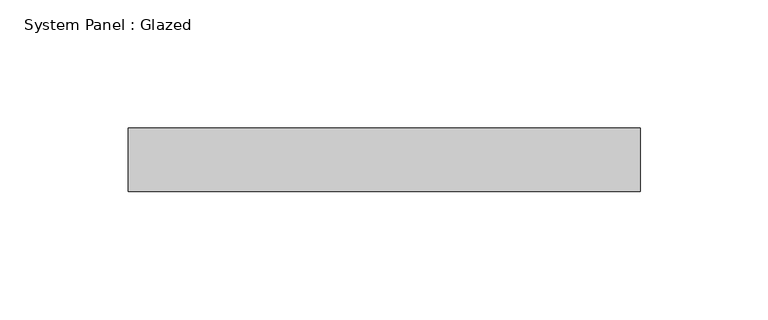
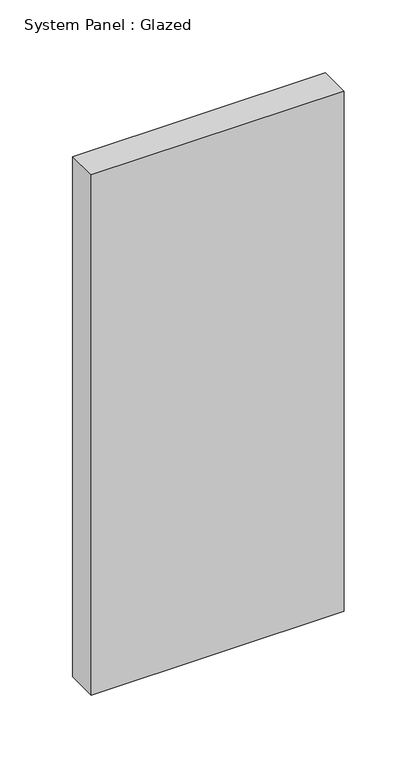
"""IFC4 building model written with IfcOpenShell, lengths in millimetres: plate geometry, System Panel : Glazed."""

import ifcopenshell
import ifcopenshell.guid

model = None  # the IFC model being written
_history = None  # IfcOwnerHistory: only IFC2X3 demands one
_inside = {}  # id of a spatial element -> (the spatial element, [elements in it])
_under = {}  # id of a project, library or spatial element -> (it, [spatial elements below it])
_declared = {}  # id of a project -> (the project, [libraries it declares])
_typed = {}  # id of a type object -> (the type object, [elements of that type])
_made_of = {}  # id of a material, layer set ... -> (it, [elements and type objects made of it])


def new_model(schema):
    """Start an empty IFC model of exactly this schema.

    Asked for "IFC4X3", IfcOpenShell would pick the latest addendum, in which some entities
    have other attributes; the version numbers below select the first issue.
    IFC2X3 requires an IfcOwnerHistory on every rooted entity: one is made here for all.
    """
    global model, _history
    if schema == "IFC4X3":
        model = ifcopenshell.file(schema_version=(4, 3, 0, 0))
    else:
        model = ifcopenshell.file(schema=schema)
    _inside.clear()
    _under.clear()
    _declared.clear()
    _typed.clear()
    _made_of.clear()
    _history = None
    if model.schema == "IFC2X3":
        org = make("IfcOrganization", Name="unknown")
        user = make(
            "IfcPersonAndOrganization",
            ThePerson=make("IfcPerson", FamilyName="unknown"),
            TheOrganization=org,
        )
        app = make(
            "IfcApplication",
            ApplicationDeveloper=org,
            Version="unknown",
            ApplicationFullName="unknown",
            ApplicationIdentifier="unknown",
        )
        _history = make(
            "IfcOwnerHistory",
            OwningUser=user,
            OwningApplication=app,
            ChangeAction="ADDED",
            CreationDate=0,
        )
    return model


def make(cls, **values):
    """One entity of the class cls with the attributes given. An attribute that is None is left unset."""
    return model.create_entity(
        cls, **{name: value for name, value in values.items() if value is not None}
    )


def rooted(cls, **values):
    """An entity with a GlobalId (a new one), such as an element, a storey or a relation."""
    return make(cls, GlobalId=ifcopenshell.guid.new(), OwnerHistory=_history, **values)


def si_unit(unit_type, name, prefix=None):
    """IfcSIUnit, for example si_unit("LENGTHUNIT", "METRE", prefix="MILLI")."""
    return make("IfcSIUnit", UnitType=unit_type, Prefix=prefix, Name=name)


def assignment(units):
    """IfcUnitAssignment: the units of a project."""
    return None if units is None else make("IfcUnitAssignment", Units=units)


def point(xyz):
    """IfcCartesianPoint."""
    return None if xyz is None else make("IfcCartesianPoint", Coordinates=xyz)


def direction(xyz):
    """IfcDirection."""
    return None if xyz is None else make("IfcDirection", DirectionRatios=xyz)


def frame(location, z_axis=None, x_axis=None):
    """IfcAxis2Placement3D, a coordinate frame: its origin and axes. An axis left out is left unset."""
    return make(
        "IfcAxis2Placement3D",
        Location=point(location),
        Axis=direction(z_axis),
        RefDirection=direction(x_axis),
    )


def origin():
    """The frame at (0, 0, 0) with its axes left unset."""
    return frame((0.0, 0.0, 0.0))


def origin_with_axes():
    """The frame at (0, 0, 0) with the z axis (0, 0, 1) and the x axis (1, 0, 0) written out."""
    return frame((0.0, 0.0, 0.0), z_axis=(0.0, 0.0, 1.0), x_axis=(1.0, 0.0, 0.0))


def place(relative_to, where):
    """IfcLocalPlacement: puts the frame where relative to a parent placement (None: the world)."""
    return make(
        "IfcLocalPlacement", PlacementRelTo=relative_to, RelativePlacement=where
    )


def context(
    kind, dimensions, precision=None, world=None, true_north=None, identifier=None
):
    """IfcGeometricRepresentationContext, for example the 3D "Model" context."""
    return make(
        "IfcGeometricRepresentationContext",
        ContextIdentifier=identifier,
        ContextType=kind,
        CoordinateSpaceDimension=dimensions,
        Precision=precision,
        WorldCoordinateSystem=world,
        TrueNorth=true_north,
    )


def project(units=None, contexts=None):
    """IfcProject with its units and contexts."""
    return rooted(
        "IfcProject",
        Name="project",
        RepresentationContexts=contexts,
        UnitsInContext=assignment(units),
    )


def spatial(cls, under=None, at=None, **own):
    """A site, building, storey or space (cls), placed at a placement, below another one or the project."""
    s = rooted(cls, ObjectPlacement=at, **own)
    if under is not None:
        _under.setdefault(under.id(), (under, []))[1].append(s)
    return s


def polyline(points):
    """IfcPolyline through the points."""
    return make("IfcPolyline", Points=[point(p) for p in points])


def outline(outer, holes=None, kind="AREA"):
    """IfcArbitraryClosedProfileDef: a profile drawn as a closed curve; with holes, ...WithVoids."""
    if holes is None:
        return make("IfcArbitraryClosedProfileDef", ProfileType=kind, OuterCurve=outer)
    return make(
        "IfcArbitraryProfileDefWithVoids",
        ProfileType=kind,
        OuterCurve=outer,
        InnerCurves=holes,
    )


def extrude(swept, where, along, depth):
    """IfcExtrudedAreaSolid: the profile swept, set in the frame where, extruded along a direction by depth."""
    return make(
        "IfcExtrudedAreaSolid",
        SweptArea=swept,
        Position=where,
        ExtrudedDirection=direction(along),
        Depth=depth,
    )


def shape(context_of_items, identifier, shape_type, items):
    """IfcShapeRepresentation: the items that make up one representation, for example the "Body"."""
    return make(
        "IfcShapeRepresentation",
        ContextOfItems=context_of_items,
        RepresentationIdentifier=identifier,
        RepresentationType=shape_type,
        Items=items,
    )


def source(mapping_origin, context_of_items, identifier, shape_type, items):
    """IfcRepresentationMap: a shape defined once, which mapped items show again and again."""
    return make(
        "IfcRepresentationMap",
        MappingOrigin=mapping_origin,
        MappedRepresentation=shape(context_of_items, identifier, shape_type, items),
    )


def transform(
    local_origin,
    x_axis=None,
    y_axis=None,
    z_axis=None,
    scale=None,
    scale2=None,
    scale3=None,
    uniform=True,
):
    """IfcCartesianTransformationOperator3D, or its non-uniform kind. x_axis, y_axis, z_axis: its Axis1, 2, 3."""
    if uniform:
        return make(
            "IfcCartesianTransformationOperator3D",
            Axis1=direction(x_axis),
            Axis2=direction(y_axis),
            LocalOrigin=point(local_origin),
            Scale=scale,
            Axis3=direction(z_axis),
        )
    return make(
        "IfcCartesianTransformationOperator3DnonUniform",
        Axis1=direction(x_axis),
        Axis2=direction(y_axis),
        LocalOrigin=point(local_origin),
        Scale=scale,
        Axis3=direction(z_axis),
        Scale2=scale2,
        Scale3=scale3,
    )


def mapped(mapping_source, mapping_target):
    """IfcMappedItem: shows the shape of a source again, moved by a transform."""
    return make(
        "IfcMappedItem", MappingSource=mapping_source, MappingTarget=mapping_target
    )


def made_of(thing, what):
    """Note that an element or type object is made of a material, layer set ...; save() writes the relation."""
    if what is not None:
        _made_of.setdefault(what.id(), (what, []))[1].append(thing)
    return thing


def element(
    cls,
    number,
    at=None,
    inside=None,
    cuts=None,
    type_object=None,
    material=None,
    context=None,
    identifier="Body",
    shape_type=None,
    held_by="IfcProductDefinitionShape",
    body=None,
    shapes=None,
    **own,
):
    """One element of the class cls, such as IfcWall. Its Tag is "e" and its number.

    at: its placement. inside: the storey or other place that contains it. cuts: it is an
    opening in that element (IfcRelVoidsElement). A single representation is given by context,
    identifier, shape_type and body (its items); several are given by shapes. held_by: the class
    of the entity that holds the representations. save() writes the other relations.
    """
    e = rooted(cls, Tag="e%d" % number, ObjectPlacement=at, **own)
    if body is not None:
        shapes = [shape(context, identifier, shape_type, body)]
    if shapes is not None:
        e.Representation = make(held_by, Representations=shapes)
    if inside is not None:
        _inside.setdefault(inside.id(), (inside, []))[1].append(e)
    if cuts is not None:
        rooted(
            "IfcRelVoidsElement", RelatingBuildingElement=cuts, RelatedOpeningElement=e
        )
    if type_object is not None:
        _typed.setdefault(type_object.id(), (type_object, []))[1].append(e)
    return made_of(e, material)


def aggregate(whole, parts):
    """IfcRelAggregates: a whole, such as a stair, and the parts it consists of."""
    return rooted("IfcRelAggregates", RelatingObject=whole, RelatedObjects=parts)


def save(model, path):
    """Write the relations noted so far, then the file.

    IfcRelAggregates (storeys below a building ...), IfcRelContainedInSpatialStructure (elements
    in a storey), IfcRelDefinesByType, IfcRelAssociatesMaterial and IfcRelDeclares: one each for
    every whole, place, type object, material and project.
    """
    for whole, parts in _under.values():
        aggregate(whole, parts)
    for where, things in _inside.values():
        rooted(
            "IfcRelContainedInSpatialStructure",
            RelatedElements=things,
            RelatingStructure=where,
        )
    for kind, things in _typed.values():
        rooted("IfcRelDefinesByType", RelatedObjects=things, RelatingType=kind)
    for what, things in _made_of.values():
        rooted("IfcRelAssociatesMaterial", RelatedObjects=things, RelatingMaterial=what)
    for by, libraries in _declared.values():
        rooted("IfcRelDeclares", RelatingContext=by, RelatedDefinitions=libraries)
    model.write(path)


def system_panel_glazed_1faf1b0a(model_context):
    return source(origin(), model_context, "Body", "SweptSolid", [
        extrude(outline(polyline([(100.0, 24.5), (-100.0, 24.5), (-100.0, 49.5), (100.0, 49.5), (100.0, 24.5)])), origin_with_axes(), (0.0, 0.0, 1.0), 434.9869155),
    ])


if __name__ == "__main__":
    model = new_model("IFC4")
    model_context = context("Model", 3, world=origin())
    ifc_project = project(units=[si_unit("LENGTHUNIT", "METRE", prefix="MILLI")], contexts=[model_context])
    site = spatial("IfcSite", under=ifc_project)
    building = spatial("IfcBuilding", under=site)
    placement = place(None, origin())
    system_panel_glazed_shape = system_panel_glazed_1faf1b0a(model_context)
    element("IfcPlate", 1, ObjectType="System Panel : Glazed", at=placement, inside=building, context=model_context, shape_type="MappedRepresentation", body=[
        mapped(system_panel_glazed_shape, transform((0.0, 0.0, 0.0), x_axis=(1.0, 0.0, 0.0), y_axis=(0.0, 1.0, 0.0), z_axis=(0.0, 0.0, 1.0))),
    ])
    save(model, "model.ifc")
